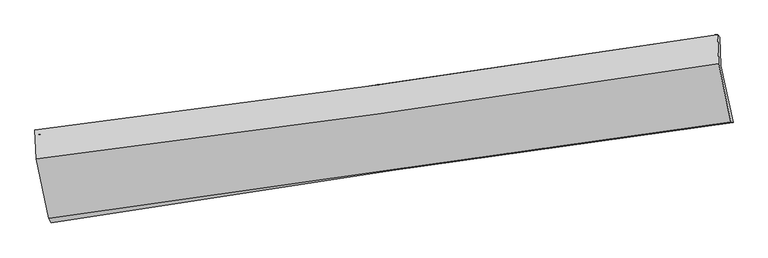
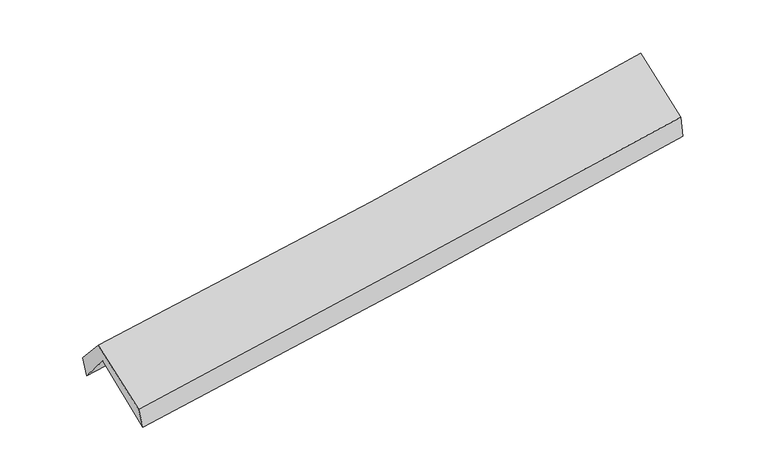
"""IFC4 building model written with IfcOpenShell, lengths in millimetres: proxy geometry."""

from ifc_helpers import new_model, si_unit, frame, origin, place, context, project, spatial, source, transform, mapped, element, save
from ifc_brep_helpers import plane_surface, spline_curve, spline_surface, advanced_brep


def generic_models_1ef663ba(model_context):
    return source(origin(), model_context, "Body", "AdvancedBrep", [
        advanced_brep(
        [(-2902.8805615, -2526.1404032, 1453.4727006), (-3012.9791819, -2013.7202346, 1888.651109), (2949.8230537, -1150.6087248, 2376.9278441), (3057.9120203, -1649.3535879, 1942.5569788), (-3023.4411901, -1751.0467345, 1576.707664), (2941.0788762, -898.2622759, 2062.0446263), (-3043.9222162, -1714.477126, 1754.6661888), (2922.7112223, -879.8334096, 2245.3613408), (-3031.8418285, -1968.4547209, 2033.4191421), (2931.3875471, -1130.2217136, 2557.8011442), (-2923.7122663, -2484.9174851, 1627.829173), (3039.4810393, -1644.4357831, 2148.9181932)],
        [
            (0, 1),
            (1, 2, spline_curve(3, [(-3012.9791819, -2013.7202346, 1888.651109), (-2019.437318972, -1862.427157311, 1960.320893188), (-1025.748127674, -1714.852179372, 2036.847169283), (961.852638927, -1427.148883296, 2199.606787251), (1955.764192939, -1287.020024785, 2285.839422689), (2949.8230537, -1150.6087248, 2376.9278441)], [4, 2, 4], [0.0, 9.91683538880125, 19.83294961181047])),
            (2, 3),
            (3, 0, spline_curve(3, [(3057.9120203, -1649.3535879, 1942.5569788), (2064.77111737, -1782.381587058, 1835.200276581), (1071.486017963, -1921.958259454, 1740.765914223), (-915.44482135, -2214.219578554, 1577.73594208), (-1909.090582987, -2366.905177724, 1509.142211356), (-2902.8805615, -2526.1404032, 1453.4727006)], [4, 2, 4], [0.0, 9.91611422300922, 19.83294961181047])),
            (1, 4),
            (4, 5, spline_curve(3, [(-3023.4411901, -1751.0467345, 1576.707664), (-2028.380638497, -1602.981238931, 1636.033440625), (-1033.788967573, -1457.880643032, 1706.142938453), (954.384319809, -1173.61958827, 1867.923494282), (1947.966004137, -1034.458697654, 1959.592983863), (2941.0788762, -898.2622759, 2062.0446263)], [4, 2, 4], [0.0, 9.916547190896337, 19.832373236958787])),
            (5, 2),
            (4, 6),
            (6, 7, spline_curve(3, [(-3043.9222162, -1714.477126, 1754.6661888), (-2045.484434331, -1590.692700992, 1814.780718298), (-1049.028082175, -1459.244037531, 1885.731126647), (939.849442603, -1181.028350549, 2049.297753143), (1932.270903308, -1034.26244196, 2141.912395478), (2922.7112223, -879.8334096, 2245.3613408)], [4, 2, 4], [0.0, 9.916867766217509, 19.83301436428846])),
            (7, 5),
            (6, 8),
            (8, 9, spline_curve(3, [(-3031.8418285, -1968.4547209, 2033.4191421), (-2035.001049627, -1845.907211503, 2114.16017422), (-1039.626862933, -1714.777854425, 2198.230900291), (948.116049217, -1435.365603765, 2373.025385231), (1940.484987323, -1287.083958595, 2463.748659894), (2931.3875471, -1130.2217136, 2557.8011442)], [4, 2, 4], [0.0, 9.916774765455273, 19.832828369527128])),
            (9, 7),
            (8, 10),
            (10, 11, spline_curve(3, [(-2923.7122663, -2484.9174851, 1627.829173), (-1929.841904245, -2342.561193423, 1710.431385099), (-935.955877709, -2201.340400385, 1795.158232264), (1051.775226423, -1921.179998209, 1968.854881178), (2045.620301815, -1782.240224008, 2057.8243741), (3039.4810393, -1644.4357831, 2148.9181932)], [4, 2, 4], [0.0, 9.916213453418317, 19.831705786272593])),
            (11, 9),
            (10, 0),
            (3, 11),
        ],
        [
            spline_surface(3, 3, [[(-2902.8805615, -2526.1404032, 1453.4727006), (-1909.090582918, -2366.905177858, 1509.142211397), (-915.444821503, -2214.219578616, 1577.735941955), (1071.486018116, -1921.958259392, 1740.765914349), (2064.771117315, -1782.381586903, 1835.200276533), (3057.9120203, -1649.3535879, 1942.5569788)], [(-2939.580101637, -2355.333680327, 1598.532170043), (-1945.872828298, -2198.745837656, 1659.535105294), (-952.212590225, -2047.763778843, 1730.77301773), (1034.941558394, -1757.02180075, 1893.712872007), (2028.435475801, -1617.261066232, 1985.413325313), (3021.882364762, -1483.105300228, 2087.347267242)], [(-2976.279641763, -2184.526957473, 1743.591639557), (-1982.655073667, -2030.586497472, 1809.927999262), (-988.980358961, -1881.307979023, 1883.81009347), (998.397098658, -1592.08534206, 2046.65982963), (1992.099834302, -1452.140545476, 2135.626374067), (2985.852709238, -1316.857012472, 2232.137555658)], [(-3012.9791819, -2013.7202346, 1888.651109), (-2019.437319047, -1862.42715727, 1960.320893159), (-1025.748127683, -1714.852179251, 2036.847169245), (961.852638936, -1427.148883418, 2199.606787289), (1955.764192788, -1287.020024805, 2285.839422847), (2949.8230537, -1150.6087248, 2376.9278441)]], [4, 4], [4, 2, 4], [0.0, 2.2488693982973498], [0.0, 9.91683538880125, 19.83294961181047]),
            spline_surface(3, 3, [[(-3012.9791819, -2013.7202346, 1888.651109), (-2019.437319047, -1862.42715727, 1960.320893159), (-1025.748127683, -1714.852179251, 2036.847169245), (961.852638936, -1427.148883418, 2199.606787289), (1955.764192788, -1287.020024805, 2285.839422847), (2949.8230537, -1150.6087248, 2376.9278441)], [(-3016.466517948, -1926.16240125, 1784.669960693), (-2022.418425553, -1775.94518446, 1852.225075659), (-1028.428407631, -1629.195000544, 1926.61242566), (959.363199195, -1342.639118324, 2089.045689613), (1953.164796569, -1202.832915734, 2177.090609819), (2946.908327891, -1066.493241832, 2271.966771481)], [(-3019.953854052, -1838.60456785, 1680.688812307), (-2025.399532115, -1689.463211599, 1744.129258081), (-1031.108687554, -1543.537821855, 1816.377682067), (956.873759478, -1258.129353247, 1978.48459193), (1950.565400275, -1118.645806669, 2068.34179685), (2943.993602009, -982.377758868, 2167.005698919)], [(-3023.4411901, -1751.0467345, 1576.707664), (-2028.38063862, -1602.981238789, 1636.033440581), (-1033.788967501, -1457.880643148, 1706.142938481), (954.384319737, -1173.619588153, 1867.923494254), (1947.966004056, -1034.458697598, 1959.592983822), (2941.0788762, -898.2622759, 2062.0446263)]], [4, 4], [4, 2, 4], [0.0, 1.3720904574607584], [0.0, 9.916547190896337, 19.832373236958787]),
            spline_surface(3, 3, [[(-3023.4411901, -1751.0467345, 1576.707664), (-2028.38063862, -1602.981238789, 1636.033440581), (-1033.788967501, -1457.880643148, 1706.142938481), (954.384319737, -1173.619588153, 1867.923494254), (1947.966004056, -1034.458697598, 1959.592983822), (2941.0788762, -898.2622759, 2062.0446263)], [(-3030.268198808, -1738.856864983, 1636.027172247), (-2034.081903824, -1598.885059456, 1695.615866476), (-1038.868672368, -1458.335107908, 1766.005667849), (949.539360675, -1176.08917564, 1928.381580567), (1942.734303789, -1034.393279011, 2020.36612108), (2934.956324888, -892.119320438, 2123.150197799)], [(-3037.095207492, -1726.666995517, 1695.346680553), (-2039.783169004, -1594.788880174, 1755.198292429), (-1043.948377246, -1458.789572688, 1825.868397222), (944.694401602, -1178.558763147, 1988.839666886), (1937.502603557, -1034.327860509, 2081.139258341), (2928.833773612, -885.976365062, 2184.255769301)], [(-3043.9222162, -1714.477126, 1754.6661888), (-2045.484434209, -1590.692700841, 1814.780718325), (-1049.028082113, -1459.244037447, 1885.73112659), (939.84944254, -1181.028350633, 2049.2977532), (1932.27090329, -1034.262441921, 2141.912395599), (2922.7112223, -879.8334096, 2245.3613408)]], [4, 4], [4, 2, 4], [0.0, 0.5943149578923754], [0.0, 9.916867766217509, 19.83301436428846]),
            spline_surface(3, 3, [[(-3043.9222162, -1714.477126, 1754.6661888), (-2045.484434209, -1590.692700841, 1814.780718325), (-1049.028082113, -1459.244037447, 1885.73112659), (939.84944254, -1181.028350633, 2049.2977532), (1932.27090329, -1034.262441921, 2141.912395599), (2922.7112223, -879.8334096, 2245.3613408)], [(-3039.895420321, -1799.136324297, 1847.583839899), (-2041.989972732, -1675.764204433, 1914.573870243), (-1045.894342337, -1544.421976415, 1989.897717804), (942.604978073, -1265.807435021, 2157.206963868), (1935.00893132, -1118.536280839, 2249.19115032), (2925.603330571, -963.296177614, 2349.507941942)], [(-3035.868624379, -1883.795522603, 1940.501491001), (-2038.495511194, -1760.835708033, 2014.367022164), (-1042.760602595, -1629.599915403, 2094.064309061), (945.360513571, -1350.58651943, 2265.116174579), (1937.746959337, -1202.810119714, 2356.469905014), (2928.495438829, -1046.758945586, 2453.654543058)], [(-3031.8418285, -1968.4547209, 2033.4191421), (-2035.001049717, -1845.907211624, 2114.160174082), (-1039.626862819, -1714.777854371, 2198.230900275), (948.116049103, -1435.365603819, 2373.025385247), (1940.484987367, -1287.083958632, 2463.748659735), (2931.3875471, -1130.2217136, 2557.8011442)]], [4, 4], [4, 2, 4], [0.0, 1.3377873844760473], [0.0, 9.916774765455273, 19.832828369527128]),
            spline_surface(3, 3, [[(-3031.8418285, -1968.4547209, 2033.4191421), (-2035.001049717, -1845.907211624, 2114.160174082), (-1039.626862819, -1714.777854371, 2198.230900275), (948.116049103, -1435.365603819, 2373.025385247), (1940.484987367, -1287.083958632, 2463.748659735), (2931.3875471, -1130.2217136, 2557.8011442)], [(-2995.798641086, -2140.608975653, 1898.222485733), (-1999.948001214, -2011.458538942, 1979.583911037), (-1005.06986779, -1876.965369732, 2063.87334424), (982.669108202, -1597.303735292, 2238.301883918), (1975.530092151, -1452.136047085, 2328.440564521), (2967.418711148, -1301.626403422, 2421.506827211)], [(-2959.755453714, -2312.763230347, 1763.025829367), (-1964.894952753, -2177.009866202, 1845.007647992), (-970.512872738, -2039.152885044, 1929.515788211), (1017.222167324, -1759.241866716, 2103.578382595), (2010.575196991, -1617.188135572, 2193.132469274), (3003.449875252, -1473.031093278, 2285.212510189)], [(-2923.7122663, -2484.9174851, 1627.829173), (-1929.84190425, -2342.56119352, 1710.431384946), (-935.955877709, -2201.340400405, 1795.158232176), (1051.775226423, -1921.179998189, 1968.854881266), (2045.620301775, -1782.240224025, 2057.82437406), (3039.4810393, -1644.4357831, 2148.9181932)]], [4, 4], [4, 2, 4], [0.0, 2.100854917037622], [0.0, 9.916213453418317, 19.831705786272593]),
            spline_surface(3, 3, [[(-2923.7122663, -2484.9174851, 1627.829173), (-1929.84190425, -2342.56119352, 1710.431384946), (-935.955877709, -2201.340400405, 1795.158232176), (1051.775226423, -1921.179998189, 1968.854881266), (2045.620301775, -1782.240224025, 2057.82437406), (3039.4810393, -1644.4357831, 2148.9181932)], [(-2916.768364701, -2498.65845779, 1569.710348885), (-1922.92479714, -2350.675854956, 1643.334993781), (-929.118858977, -2205.633459795, 1722.684135439), (1058.345490316, -1921.439418576, 1892.825225631), (2052.003906961, -1782.287344983, 1983.616341543), (3045.624699639, -1646.075051366, 2080.131121725)], [(-2909.824463099, -2512.39943051, 1511.591524715), (-1916.007690028, -2358.790516422, 1576.238602562), (-922.281840234, -2209.926519225, 1650.210038691), (1064.915754222, -1921.698839004, 1816.795569984), (2058.387512129, -1782.334465945, 1909.40830905), (3051.768359961, -1647.714319634, 2011.344050275)], [(-2902.8805615, -2526.1404032, 1453.4727006), (-1909.090582918, -2366.905177858, 1509.142211397), (-915.444821503, -2214.219578616, 1577.735941955), (1071.486018116, -1921.958259392, 1740.765914349), (2064.771117315, -1782.381586903, 1835.200276533), (3057.9120203, -1649.3535879, 1942.5569788)]], [4, 4], [4, 2, 4], [0.0, 0.734138677644426], [0.0, 9.91651830587401, 19.832315469014695]),
            plane_surface(frame((2973.7322931, -1225.4525825, 2222.2683546), z_axis=(0.986520258407727, 0.13996798737687605, 0.08477465576939075), x_axis=(0.16235203839938747, -0.7723286637838843, -0.6141255984937966))),
            plane_surface(frame((-2989.7962074, -2076.4594507, 1722.4576629), z_axis=(-0.9865202584072933, -0.13996798738027444, -0.08477465576882369), x_axis=(-0.11549405507470122, 0.22854595992314633, 0.9666580923186903))),
        ],
        [
            (0, [[1, 2, 3, 4]]),
            (1, [[5, 6, 7, -2]]),
            (2, [[8, 9, 10, -6]]),
            (3, [[11, 12, 13, -9]]),
            (4, [[14, 15, 16, -12]]),
            (5, [[17, -4, 18, -15]]),
            (6, [[-16, -18, -3, -7, -10, -13]]),
            (7, [[-17, -14, -11, -8, -5, -1]]),
        ],
    ),
    ])


if __name__ == "__main__":
    model = new_model("IFC4")
    model_context = context("Model", 3, world=origin())
    ifc_project = project(units=[si_unit("LENGTHUNIT", "METRE", prefix="MILLI")], contexts=[model_context])
    site = spatial("IfcSite", under=ifc_project)
    building = spatial("IfcBuilding", under=site)
    placement = place(None, origin())
    generic_models_shape = generic_models_1ef663ba(model_context)
    element("IfcBuildingElementProxy", 1, Name="Generic Models", at=placement, inside=building, context=model_context, shape_type="MappedRepresentation", body=[
        mapped(generic_models_shape, transform((0.0, 0.0, 0.0), x_axis=(1.0, 0.0, 0.0), y_axis=(0.0, 1.0, 0.0), z_axis=(0.0, 0.0, 1.0))),
    ])
    save(model, "model.ifc")
